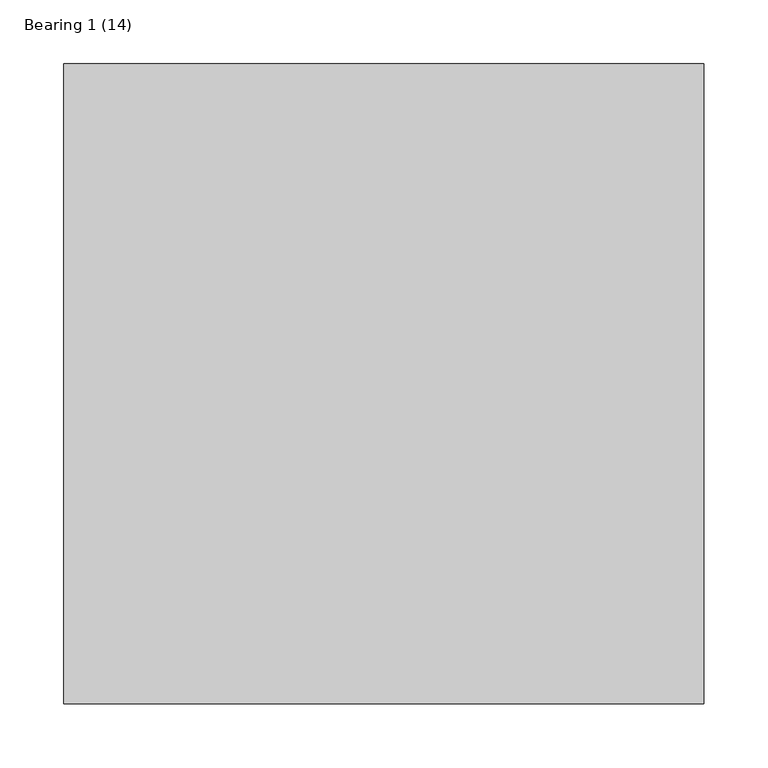
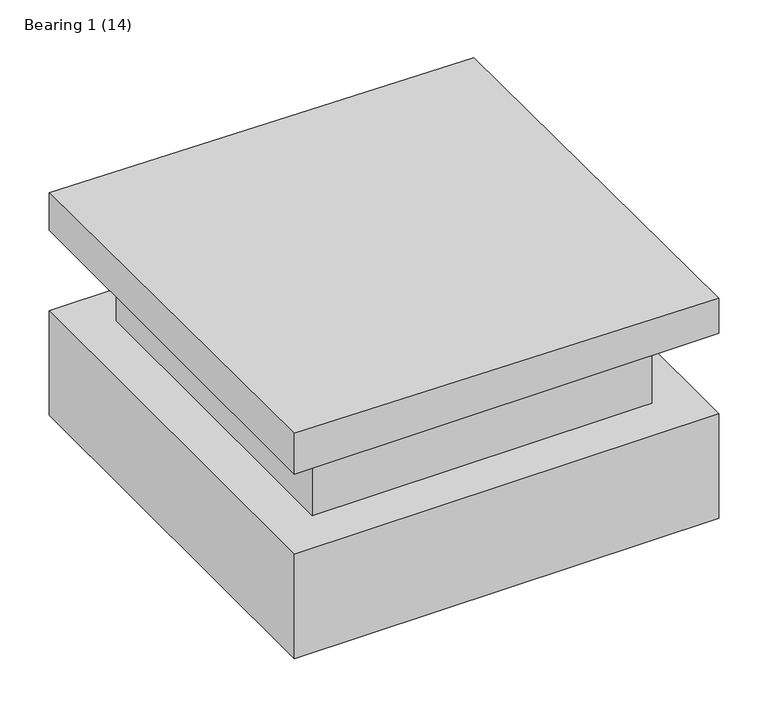
"""IFC4 building model written with IfcOpenShell, lengths in millimetres: proxy geometry, Bearing 1 (14)."""

from ifc_helpers import new_model, si_unit, frame, origin, origin_with_axes, place, context, project, spatial, polyline, outline, extrude, faceted_brep, source, transform, mapped, element, save


def bearing_1_14_b5ebb585(model_context):
    return source(origin(), model_context, "Body", "SolidModel", [
        extrude(outline(polyline([(-250.0, 250.0), (250.0, 250.0), (250.0, -250.0), (-250.0, -250.0), (-250.0, 250.0)])), origin_with_axes(), (0.0, 0.0, 1.0), 130.0),
        faceted_brep([(-250.0, -250.0, 230.0), (250.0, -250.0, 230.0), (250.0, -250.0, 273.5956212), (-250.0, -250.0, 280.6908608), (-250.0, 250.0, 230.0), (-250.0, 250.0, 277.0950586), (250.0, 250.0, 230.0), (250.0, 250.0, 269.999819)], [[[0, 1, 2, 3]], [[4, 0, 3, 5]], [[6, 4, 5, 7]], [[1, 6, 7, 2]], [[2, 7, 5, 3]], [[6, 1, 0, 4]]]),
        extrude(outline(polyline([(200.0, -200.0), (-200.0, -200.0), (-200.0, 200.0), (200.0, 200.0), (200.0, -200.0)])), frame((0.0, 0.0, 130.0), z_axis=(0.0, 0.0, 1.0), x_axis=(1.0, 0.0, 0.0)), (0.0, 0.0, 1.0), 100.0),
    ])


if __name__ == "__main__":
    model = new_model("IFC4")
    model_context = context("Model", 3, world=origin())
    ifc_project = project(units=[si_unit("LENGTHUNIT", "METRE", prefix="MILLI")], contexts=[model_context])
    site = spatial("IfcSite", under=ifc_project)
    building = spatial("IfcBuilding", under=site)
    placement = place(None, origin())
    bearing_1_14_shape = bearing_1_14_b5ebb585(model_context)
    element("IfcBuildingElementProxy", 1, Name="Bearing 1 (14)", ObjectType="Bearing 1 (14)", at=placement, inside=building, context=model_context, shape_type="MappedRepresentation", body=[
        mapped(bearing_1_14_shape, transform((0.0, 0.0, 0.0), x_axis=(1.0, 0.0, 0.0), y_axis=(0.0, 1.0, 0.0), z_axis=(0.0, 0.0, 1.0))),
    ])
    save(model, "model.ifc")
